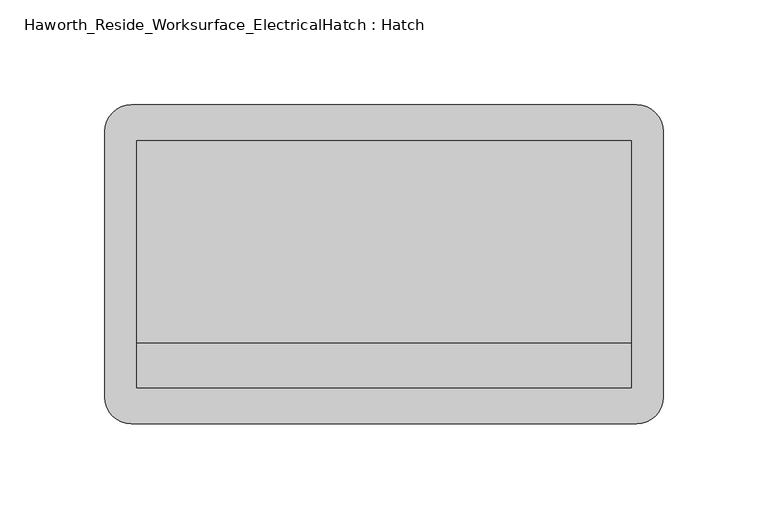
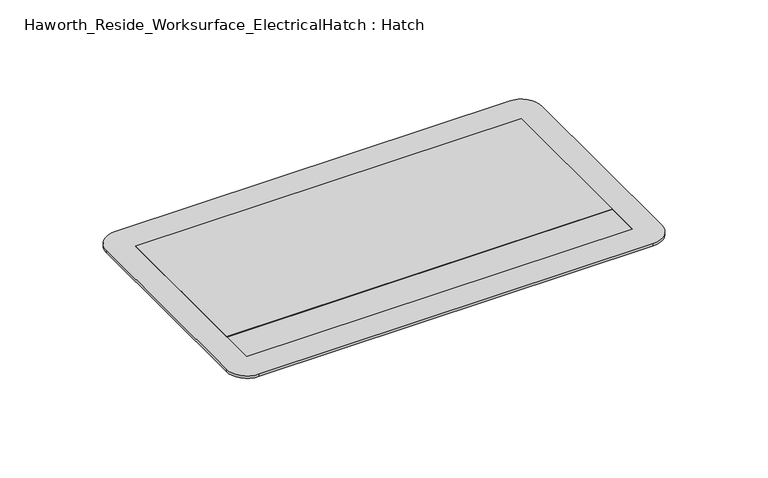
"""IFC4 building model written with IfcOpenShell, lengths in millimetres: furniture geometry, Haworth_Reside_Worksurface_ElectricalHatch : Hatch."""

from ifc_helpers import new_model, si_unit, point, frame, frame_2d, origin, place, context, project, spatial, polyline, circle_curve, trimmed, segment, composite_curve, outline, extrude, source, transform, mapped, element, save


def haworth_reside_worksurface_electricalhatch_hatch_a823f482(model_context):
    return source(origin(), model_context, "Body", "SweptSolid", [
        extrude(outline(polyline([(132.4704164, -36.3096692), (132.4704164, -57.671072), (-103.4955766, -57.671072), (-103.4955766, -36.3096692), (132.4704164, -36.3096692)])), frame((0.0, 0.0, 736.6), z_axis=(0.0, 0.0, 1.0), x_axis=(1.0, 0.0, 0.0)), (0.0, 0.0, 1.0), 1.190625),
        extrude(outline(polyline([(132.4704164, 60.3373317), (132.4704164, -36.3096692), (-103.4955766, -36.3096692), (-103.4955766, 60.3373317), (132.4704164, 60.3373317)])), frame((0.0, 0.0, 736.6), z_axis=(0.0, 0.0, 1.0), x_axis=(1.0, 0.0, 0.0)), (0.0, 0.0, 1.0), 1.5875),
        extrude(outline(composite_curve([segment(trimmed(circle_curve(frame_2d((135.1374199, 64.8331298)), 12.7), [point((135.1374199, 77.5331298))], [point((147.8374199, 64.8331298))], False, "CARTESIAN"), True, "CONTINUOUS"), segment(polyline([(147.8374199, 64.8331298), (147.8374199, -62.1668702)]), True, "CONTINUOUS"), segment(trimmed(circle_curve(frame_2d((135.1374199, -62.1668702)), 12.7), [point((147.8374199, -62.1668702))], [point((135.1374199, -74.8668702))], False, "CARTESIAN"), True, "CONTINUOUS"), segment(polyline([(135.1374199, -74.8668702), (-106.1625801, -74.8668702)]), True, "CONTINUOUS"), segment(trimmed(circle_curve(frame_2d((-106.1625801, -62.1668702)), 12.7), [point((-106.1625801, -74.8668702))], [point((-118.8625801, -62.1668702))], False, "CARTESIAN"), True, "CONTINUOUS"), segment(polyline([(-118.8625801, -62.1668702), (-118.8625801, 64.8331298)]), True, "CONTINUOUS"), segment(trimmed(circle_curve(frame_2d((-106.1625801, 64.8331298)), 12.7), [point((-118.8625801, 64.8331298))], [point((-106.1625801, 77.5331298))], False, "CARTESIAN"), True, "CONTINUOUS"), segment(polyline([(-106.1625801, 77.5331298), (135.1374199, 77.5331298)]), True, "CONTINUOUS")], self_intersect=False), holes=[polyline([(132.4704164, 60.3373317), (-103.4955766, 60.3373317), (-103.4955766, -57.671072), (132.4704164, -57.671072), (132.4704164, 60.3373317)])]), frame((0.0, 0.0, 736.6), z_axis=(0.0, 0.0, 1.0), x_axis=(1.0, 0.0, 0.0)), (0.0, 0.0, 1.0), 1.5875),
    ])


if __name__ == "__main__":
    model = new_model("IFC4")
    model_context = context("Model", 3, world=origin())
    ifc_project = project(units=[si_unit("LENGTHUNIT", "METRE", prefix="MILLI")], contexts=[model_context])
    site = spatial("IfcSite", under=ifc_project)
    building = spatial("IfcBuilding", under=site)
    placement = place(None, origin())
    haworth_reside_worksurface_electricalhatch_hatch_shape = haworth_reside_worksurface_electricalhatch_hatch_a823f482(model_context)
    element("IfcFurniture", 1, ObjectType="Haworth_Reside_Worksurface_ElectricalHatch : Hatch", at=placement, inside=building, context=model_context, shape_type="MappedRepresentation", body=[
        mapped(haworth_reside_worksurface_electricalhatch_hatch_shape, transform((0.0, 0.0, 0.0), x_axis=(1.0, 0.0, 0.0), y_axis=(0.0, 1.0, 0.0), z_axis=(0.0, 0.0, 1.0))),
    ])
    save(model, "model.ifc")
